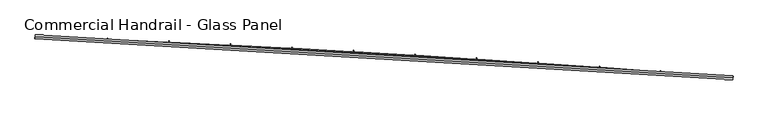
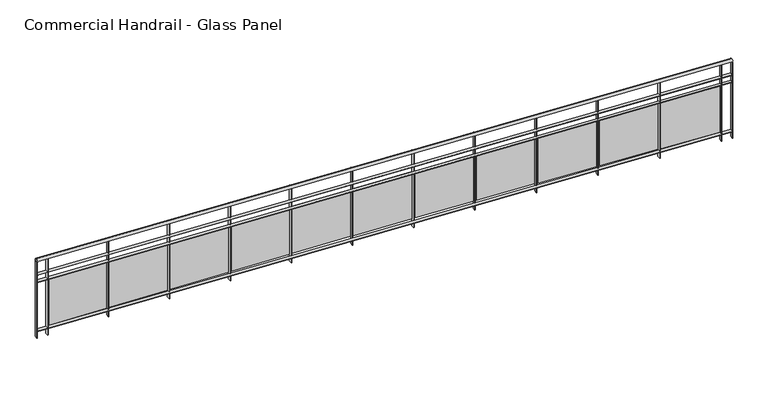
"""IFC4 building model written with IfcOpenShell, lengths in millimetres: railing geometry, Commercial Handrail - Glass Panel."""

from ifc_helpers import new_model, si_unit, point, frame, origin, place, context, project, spatial, polyline, circle_curve, ellipse_curve, trimmed, outline, extrude, source, transform, mapped, element, save
from ifc_brep_helpers import plane_surface, cylinder_surface, revolved_surface, advanced_brep


def commercial_handrail_glass_panel_47a5f68d(model_context):
    return source(origin(), model_context, "Body", "SolidModel", [
        advanced_brep(
        [(118318.4035087, -32849.2717188, 12882.5), (127382.7214131, -33380.8122629, 12882.5), (127382.7214131, -33380.8122629, 12917.5), (118318.4035087, -32849.2717188, 12917.5)],
        [
            (0, 1, circle_curve(frame((108840.1585672, -272033.3263712, 12882.5), z_axis=(0.0, 0.0, -1.0), x_axis=(0.07746344550314502, 0.9969951928724538, 0.0)), 239371.7801395)),
            (1, 2, ellipse_curve(frame((127382.7214131, -33380.8122629, 12900.0), z_axis=(-0.9969951928724544, 0.07746344550313862, 0.0), x_axis=(0.0774634455031386, 0.9969951928724542, 0.0)), 25.0, 17.5)),
            (2, 3, circle_curve(frame((108840.1585672, -272033.3263712, 12917.5), z_axis=(0.0, 0.0, 1.0), x_axis=(0.07746344550314502, 0.9969951928724538, 0.0)), 239371.7801395)),
            (3, 0, ellipse_curve(frame((118318.4035087, -32849.2717188, 12900.0), z_axis=(0.9992157576513465, -0.03959633393694334, 0.0), x_axis=(0.03959633393694333, 0.9992157576513463, 0.0)), 25.0, 17.5)),
            (2, 1, ellipse_curve(frame((127382.7214131, -33380.8122629, 12900.0), z_axis=(-0.9969951928724544, 0.07746344550313862, 0.0), x_axis=(0.0774634455031386, 0.9969951928724542, 0.0)), 25.0, 17.5)),
            (0, 3, ellipse_curve(frame((118318.4035087, -32849.2717188, 12900.0), z_axis=(0.9992157576513465, -0.03959633393694334, 0.0), x_axis=(0.03959633393694333, 0.9992157576513463, 0.0)), 25.0, 17.5)),
        ],
        [
            revolved_surface(trimmed(ellipse_curve(frame((127382.7214131, -33380.8122629, 12900.0), z_axis=(0.9969951928724538, -0.07746344550314502, 0.0), x_axis=(0.0, 0.0, -1.0)), 17.5, 25.0), [point((127382.7214131, -33380.8122629, 12917.5))], [point((127382.7214131, -33380.8122629, 12882.5))], True, "CARTESIAN"), (108840.1585672, -272033.3263712, 12900.0), (0.0, 0.0, 1.0)),
            revolved_surface(trimmed(ellipse_curve(frame((127382.7214131, -33380.8122629, 12900.0), z_axis=(0.9969951928724538, -0.07746344550314502, 0.0), x_axis=(0.0, 0.0, -1.0)), 17.5, 25.0), [point((127382.7214131, -33380.8122629, 12882.5))], [point((127382.7214131, -33380.8122629, 12917.5))], True, "CARTESIAN"), (108840.1585672, -272033.3263712, 12900.0), (0.0, 0.0, 1.0)),
            plane_surface(frame((127382.7214131, -33380.8122629, 12900.0), z_axis=(0.9969951928724538, -0.07746344550314502, 0.0), x_axis=(0.07746344550314502, 0.9969951928724538, 0.0))),
            plane_surface(frame((118318.4035087, -32849.2717188, 12900.0), z_axis=(-0.9992157576513464, 0.03959633393694337, 0.0), x_axis=(0.03959633393694337, 0.9992157576513464, 0.0))),
        ],
        [
            (0, [[1, 2, 3, 4]]),
            (1, [[-3, 5, -1, 6]]),
            (2, [[-2, -5]]),
            (3, [[-6, -4]]),
        ],
    ),
        advanced_brep(
        [(118317.5125912, -32871.7540734, 12700.0), (127380.9784855, -33403.2446547, 12700.0), (127384.4643406, -33358.379871, 12700.0), (118319.2944262, -32826.7893643, 12700.0), (118317.5125912, -32871.7540734, 12694.0), (127380.9784855, -33403.2446547, 12694.0), (118319.2944262, -32826.7893643, 12694.0), (127384.4643406, -33358.379871, 12694.0)],
        [
            (0, 1, circle_curve(frame((108840.1585672, -272033.3263712, 12700.0), z_axis=(0.0, 0.0, -1.0), x_axis=(0.07746344550314502, 0.9969951928724538, 0.0)), 239349.2801395)),
            (1, 2),
            (2, 3, circle_curve(frame((108840.1585672, -272033.3263712, 12700.0), z_axis=(0.0, 0.0, 1.0), x_axis=(0.07746344550314502, 0.9969951928724538, 0.0)), 239394.2801395)),
            (3, 0),
            (4, 5, circle_curve(frame((108840.1585672, -272033.3263712, 12694.0), z_axis=(0.0, 0.0, -1.0), x_axis=(0.07746344550314502, 0.9969951928724538, 0.0)), 239349.2801395)),
            (5, 1),
            (0, 4),
            (6, 7, circle_curve(frame((108840.1585672, -272033.3263712, 12694.0), z_axis=(0.0, 0.0, -1.0), x_axis=(0.07746344550314502, 0.9969951928724538, 0.0)), 239394.2801395)),
            (7, 5),
            (4, 6),
            (2, 7),
            (6, 3),
        ],
        [
            plane_surface(frame((108840.1585672, -272033.3263712, 12700.0), z_axis=(0.0, 0.0, 1.0), x_axis=(0.07746344550314502, 0.9969951928724538, 0.0))),
            revolved_surface(polyline([(127380.97848550315, -33403.24465463619, 12700.0), (127380.97848550315, -33403.24465463619, 12694.0)]), (108840.1585672, -272033.3263712, 12700.0), (0.0, 0.0, 1.0)),
            plane_surface(frame((108840.1585672, -272033.3263712, 12694.0), z_axis=(0.0, 0.0, -1.0), x_axis=(0.07746344550314502, 0.9969951928724538, 0.0))),
            cylinder_surface(frame((108840.1585672, -272033.3263712, 12700.0), z_axis=(0.0, 0.0, 1.0), x_axis=(0.07746344550314502, 0.9969951928724538, 0.0)), 239394.2801395),
            plane_surface(frame((127382.7214131, -33380.8122629, 12700.0), z_axis=(0.9969951928724538, -0.07746344550314502, 0.0), x_axis=(0.07746344550314502, 0.9969951928724538, 0.0))),
            plane_surface(frame((118318.4035087, -32849.2717188, 12700.0), z_axis=(-0.9992157576513464, 0.03959633393694337, 0.0), x_axis=(0.03959633393694337, 0.9992157576513464, 0.0))),
        ],
        [
            (0, [[1, 2, 3, 4]]),
            (1, [[5, 6, -1, 7]]),
            (2, [[8, 9, -5, 10]]),
            (3, [[-3, 11, -8, 12]]),
            (4, [[-2, -6, -9, -11]]),
            (5, [[-12, -10, -7, -4]]),
        ],
    ),
        advanced_brep(
        [(118317.5125912, -32871.7540734, 12600.0), (127380.9784855, -33403.2446547, 12600.0), (127384.4643406, -33358.379871, 12600.0), (118319.2944262, -32826.7893643, 12600.0), (118317.5125912, -32871.7540734, 12594.0), (127380.9784855, -33403.2446547, 12594.0), (118319.2944262, -32826.7893643, 12594.0), (127384.4643406, -33358.379871, 12594.0)],
        [
            (0, 1, circle_curve(frame((108840.1585672, -272033.3263712, 12600.0), z_axis=(0.0, 0.0, -1.0), x_axis=(0.07746344550314502, 0.9969951928724538, 0.0)), 239349.2801395)),
            (1, 2),
            (2, 3, circle_curve(frame((108840.1585672, -272033.3263712, 12600.0), z_axis=(0.0, 0.0, 1.0), x_axis=(0.07746344550314502, 0.9969951928724538, 0.0)), 239394.2801395)),
            (3, 0),
            (4, 5, circle_curve(frame((108840.1585672, -272033.3263712, 12594.0), z_axis=(0.0, 0.0, -1.0), x_axis=(0.07746344550314502, 0.9969951928724538, 0.0)), 239349.2801395)),
            (5, 1),
            (0, 4),
            (6, 7, circle_curve(frame((108840.1585672, -272033.3263712, 12594.0), z_axis=(0.0, 0.0, -1.0), x_axis=(0.07746344550314502, 0.9969951928724538, 0.0)), 239394.2801395)),
            (7, 5),
            (4, 6),
            (2, 7),
            (6, 3),
        ],
        [
            plane_surface(frame((108840.1585672, -272033.3263712, 12600.0), z_axis=(0.0, 0.0, 1.0), x_axis=(0.07746344550314502, 0.9969951928724538, 0.0))),
            revolved_surface(polyline([(127380.97848550315, -33403.24465463619, 12600.0), (127380.97848550315, -33403.24465463619, 12594.0)]), (108840.1585672, -272033.3263712, 12600.0), (0.0, 0.0, 1.0)),
            plane_surface(frame((108840.1585672, -272033.3263712, 12594.0), z_axis=(0.0, 0.0, -1.0), x_axis=(0.07746344550314502, 0.9969951928724538, 0.0))),
            cylinder_surface(frame((108840.1585672, -272033.3263712, 12600.0), z_axis=(0.0, 0.0, 1.0), x_axis=(0.07746344550314502, 0.9969951928724538, 0.0)), 239394.2801395),
            plane_surface(frame((127382.7214131, -33380.8122629, 12600.0), z_axis=(0.9969951928724538, -0.07746344550314502, 0.0), x_axis=(0.07746344550314502, 0.9969951928724538, 0.0))),
            plane_surface(frame((118318.4035087, -32849.2717188, 12600.0), z_axis=(-0.9992157576513464, 0.03959633393694337, 0.0), x_axis=(0.03959633393694337, 0.9992157576513464, 0.0))),
        ],
        [
            (0, [[1, 2, 3, 4]]),
            (1, [[5, 6, -1, 7]]),
            (2, [[8, 9, -5, 10]]),
            (3, [[-3, 11, -8, 12]]),
            (4, [[-2, -6, -9, -11]]),
            (5, [[-12, -10, -7, -4]]),
        ],
    ),
        advanced_brep(
        [(118317.5125912, -32871.7540734, 11900.0), (127380.9784855, -33403.2446547, 11900.0), (127384.4643406, -33358.379871, 11900.0), (118319.2944262, -32826.7893643, 11900.0), (118317.5125912, -32871.7540734, 11894.0), (127380.9784855, -33403.2446547, 11894.0), (118319.2944262, -32826.7893643, 11894.0), (127384.4643406, -33358.379871, 11894.0)],
        [
            (0, 1, circle_curve(frame((108840.1585672, -272033.3263712, 11900.0), z_axis=(0.0, 0.0, -1.0), x_axis=(0.07746344550314502, 0.9969951928724538, 0.0)), 239349.2801395)),
            (1, 2),
            (2, 3, circle_curve(frame((108840.1585672, -272033.3263712, 11900.0), z_axis=(0.0, 0.0, 1.0), x_axis=(0.07746344550314502, 0.9969951928724538, 0.0)), 239394.2801395)),
            (3, 0),
            (4, 5, circle_curve(frame((108840.1585672, -272033.3263712, 11894.0), z_axis=(0.0, 0.0, -1.0), x_axis=(0.07746344550314502, 0.9969951928724538, 0.0)), 239349.2801395)),
            (5, 1),
            (0, 4),
            (6, 7, circle_curve(frame((108840.1585672, -272033.3263712, 11894.0), z_axis=(0.0, 0.0, -1.0), x_axis=(0.07746344550314502, 0.9969951928724538, 0.0)), 239394.2801395)),
            (7, 5),
            (4, 6),
            (2, 7),
            (6, 3),
        ],
        [
            plane_surface(frame((108840.1585672, -272033.3263712, 11900.0), z_axis=(0.0, 0.0, 1.0), x_axis=(0.07746344550314502, 0.9969951928724538, 0.0))),
            revolved_surface(polyline([(127380.97848550315, -33403.24465463619, 11900.0), (127380.97848550315, -33403.24465463619, 11894.0)]), (108840.1585672, -272033.3263712, 11900.0), (0.0, 0.0, 1.0)),
            plane_surface(frame((108840.1585672, -272033.3263712, 11894.0), z_axis=(0.0, 0.0, -1.0), x_axis=(0.07746344550314502, 0.9969951928724538, 0.0))),
            cylinder_surface(frame((108840.1585672, -272033.3263712, 11900.0), z_axis=(0.0, 0.0, 1.0), x_axis=(0.07746344550314502, 0.9969951928724538, 0.0)), 239394.2801395),
            plane_surface(frame((127382.7214131, -33380.8122629, 11900.0), z_axis=(0.9969951928724538, -0.07746344550314502, 0.0), x_axis=(0.07746344550314502, 0.9969951928724538, 0.0))),
            plane_surface(frame((118318.4035087, -32849.2717188, 11900.0), z_axis=(-0.9992157576513464, 0.03959633393694337, 0.0), x_axis=(0.03959633393694337, 0.9992157576513464, 0.0))),
        ],
        [
            (0, [[1, 2, 3, 4]]),
            (1, [[5, 6, -1, 7]]),
            (2, [[8, 9, -5, 10]]),
            (3, [[-3, 11, -8, 12]]),
            (4, [[-2, -6, -9, -11]]),
            (5, [[-12, -10, -7, -4]]),
        ],
    ),
        extrude(outline(polyline([(118462.4105775, -32832.5035492), (118460.6024038, -32877.4672068), (118454.6072494, -32877.226117), (118456.4154232, -32832.2624594), (118462.4105775, -32832.5035492)])), frame((0.0, 0.0, 11800.0), z_axis=(0.0, 0.0, 1.0), x_axis=(1.0, 0.0, 0.0)), (0.0, 0.0, 1.0), 1082.1192282),
        extrude(outline(polyline([(119237.5882112, -32893.169646), (118478.2540839, -32861.3626786), (118478.7562992, -32849.3731924), (119238.0904265, -32881.1801598), (119237.5882112, -32893.169646)])), frame((0.0, 0.0, 11920.0), z_axis=(0.0, 0.0, 1.0), x_axis=(1.0, 0.0, 0.0)), (0.0, 0.0, 1.0), 660.0),
        extrude(outline(polyline([(119261.7839982, -32865.9977164), (119259.8255626, -32910.9550799), (119253.8312475, -32910.6939552), (119255.789683, -32865.7365917), (119261.7839982, -32865.9977164)])), frame((0.0, 0.0, 11800.0), z_axis=(0.0, 0.0, 1.0), x_axis=(1.0, 0.0, 0.0)), (0.0, 0.0, 1.0), 1082.1192282),
        extrude(outline(polyline([(120036.754552, -32929.2541764), (119277.5309667, -32894.9096349), (119278.0732489, -32882.9218941), (120037.2968342, -32917.2664356), (120036.754552, -32929.2541764)])), frame((0.0, 0.0, 11920.0), z_axis=(0.0, 0.0, 1.0), x_axis=(1.0, 0.0, 0.0)), (0.0, 0.0, 1.0), 660.0),
        extrude(outline(polyline([(120061.0410145, -32902.1632628), (120058.932339, -32947.1138299), (120052.93893, -32946.8326732), (120055.0476055, -32901.8821061), (120061.0410145, -32902.1632628)])), frame((0.0, 0.0, 11800.0), z_axis=(0.0, 0.0, 1.0), x_axis=(1.0, 0.0, 0.0)), (0.0, 0.0, 1.0), 1082.1192282),
        extrude(outline(polyline([(120835.7958324, -32968.0093795), (120076.6912693, -32931.1276473), (120077.2736124, -32919.1417858), (120836.3781756, -32956.0235179), (120835.7958324, -32968.0093795)])), frame((0.0, 0.0, 11920.0), z_axis=(0.0, 0.0, 1.0), x_axis=(1.0, 0.0, 0.0)), (0.0, 0.0, 1.0), 660.0),
        extrude(outline(polyline([(120860.1726992, -32940.9997843), (120857.9138072, -32985.943053), (120851.9213714, -32985.6418675), (120854.1802633, -32940.6985987), (120860.1726992, -32940.9997843)])), frame((0.0, 0.0, 11800.0), z_axis=(0.0, 0.0, 1.0), x_axis=(1.0, 0.0, 0.0)), (0.0, 0.0, 1.0), 1082.1192282),
        extrude(outline(polyline([(121634.7031276, -33009.4348222), (120875.7260654, -32970.0163114), (120876.3484629, -32958.032463), (121635.3255252, -32997.4509738), (121634.7031276, -33009.4348222)])), frame((0.0, 0.0, 11920.0), z_axis=(0.0, 0.0, 1.0), x_axis=(1.0, 0.0, 0.0)), (0.0, 0.0, 1.0), 660.0),
        extrude(outline(polyline([(121659.1701263, -32982.5068471), (121656.7610432, -33027.4423155), (121650.7696474, -33027.1211044), (121653.1787305, -32982.1856361), (121659.1701263, -32982.5068471)])), frame((0.0, 0.0, 11800.0), z_axis=(0.0, 0.0, 1.0), x_axis=(1.0, 0.0, 0.0)), (0.0, 0.0, 1.0), 1082.1192282),
        extrude(outline(polyline([(122433.4675142, -33053.5300418), (121674.6264303, -33011.5751927), (121675.2888752, -32999.5934914), (122434.1299592, -33041.5483405), (122433.4675142, -33053.5300418)])), frame((0.0, 0.0, 11920.0), z_axis=(0.0, 0.0, 1.0), x_axis=(1.0, 0.0, 0.0)), (0.0, 0.0, 1.0), 660.0),
        extrude(outline(polyline([(122458.0243716, -33026.6839877), (122455.4651242, -33071.6111538), (122449.4748354, -33071.2699209), (122452.0340827, -33026.3427548), (122458.0243716, -33026.6839877)])), frame((0.0, 0.0, 11800.0), z_axis=(0.0, 0.0, 1.0), x_axis=(1.0, 0.0, 0.0)), (0.0, 0.0, 1.0), 1082.1192282),
        extrude(outline(polyline([(123232.0800703, -33100.2945459), (122473.3834406, -33055.8038271), (122474.0859256, -33043.8244066), (123232.7825553, -33088.3151255), (123232.0800703, -33100.2945459)])), frame((0.0, 0.0, 11920.0), z_axis=(0.0, 0.0, 1.0), x_axis=(1.0, 0.0, 0.0)), (0.0, 0.0, 1.0), 660.0),
        extrude(outline(polyline([(123256.726512, -33073.5307127), (123254.017129, -33118.4490746), (123248.0280141, -33118.0878236), (123250.7373971, -33073.1694616), (123256.726512, -33073.5307127)])), frame((0.0, 0.0, 11800.0), z_axis=(0.0, 0.0, 1.0), x_axis=(1.0, 0.0, 0.0)), (0.0, 0.0, 1.0), 1082.1192282),
        extrude(outline(polyline([(124030.5318758, -33149.7278122), (123271.9881746, -33102.7017206), (123272.7306918, -33090.7247148), (124031.2743931, -33137.7508064), (124030.5318758, -33149.7278122)])), frame((0.0, 0.0, 11920.0), z_axis=(0.0, 0.0, 1.0), x_axis=(1.0, 0.0, 0.0)), (0.0, 0.0, 1.0), 660.0),
        extrude(outline(polyline([(124055.2676267, -33123.0464986), (124052.4081383, -33167.9555548), (124046.4202641, -33167.5742897), (124049.2797526, -33122.6652335), (124055.2676267, -33123.0464986)])), frame((0.0, 0.0, 11800.0), z_axis=(0.0, 0.0, 1.0), x_axis=(1.0, 0.0, 0.0)), (0.0, 0.0, 1.0), 1082.1192282),
        extrude(outline(polyline([(124828.8140126, -33201.8292884), (124070.4317123, -33152.2683493), (124071.2142535, -33140.2938919), (124829.5965537, -33189.854831), (124828.8140126, -33201.8292884)])), frame((0.0, 0.0, 11920.0), z_axis=(0.0, 0.0, 1.0), x_axis=(1.0, 0.0, 0.0)), (0.0, 0.0, 1.0), 660.0),
        extrude(outline(polyline([(124853.6387962, -33175.2307926), (124850.6292343, -33220.1300413), (124844.6426678, -33219.7287664), (124847.6522297, -33174.8295177), (124853.6387962, -33175.2307926)])), frame((0.0, 0.0, 11800.0), z_axis=(0.0, 0.0, 1.0), x_axis=(1.0, 0.0, 0.0)), (0.0, 0.0, 1.0), 1082.1192282),
        extrude(outline(polyline([(125626.917564, -33256.5983926), (124868.7051355, -33204.5031595), (124869.5276919, -33192.5313844), (125627.7401203, -33244.6266175), (125626.917564, -33256.5983926)])), frame((0.0, 0.0, 11920.0), z_axis=(0.0, 0.0, 1.0), x_axis=(1.0, 0.0, 0.0)), (0.0, 0.0, 1.0), 660.0),
        extrude(outline(polyline([(125651.8311032, -33230.0830117), (125648.6715014, -33274.9719515), (125642.6863095, -33274.5506713), (125645.8459113, -33229.6617315), (125651.8311032, -33230.0830117)])), frame((0.0, 0.0, 11800.0), z_axis=(0.0, 0.0, 1.0), x_axis=(1.0, 0.0, 0.0)), (0.0, 0.0, 1.0), 1082.1192282),
        extrude(outline(polyline([(126424.8336158, -33314.0345132), (125666.7995279, -33259.405568), (125667.6620902, -33247.4366087), (126425.6961781, -33302.0655539), (126424.8336158, -33314.0345132)])), frame((0.0, 0.0, 11920.0), z_axis=(0.0, 0.0, 1.0), x_axis=(1.0, 0.0, 0.0)), (0.0, 0.0, 1.0), 660.0),
        extrude(outline(polyline([(126449.8356323, -33287.6025432), (126446.5260259, -33332.4806727), (126440.5422753, -33332.0393919), (126443.8518817, -33287.1612624), (126449.8356323, -33287.6025432)])), frame((0.0, 0.0, 11800.0), z_axis=(0.0, 0.0, 1.0), x_axis=(1.0, 0.0, 0.0)), (0.0, 0.0, 1.0), 1082.1192282),
        extrude(outline(polyline([(127222.5532556, -33374.1370085), (126464.7059752, -33316.9749614), (126465.6085338, -33305.0089517), (127223.4558142, -33362.1709988), (127222.5532556, -33374.1370085)])), frame((0.0, 0.0, 11920.0), z_axis=(0.0, 0.0, 1.0), x_axis=(1.0, 0.0, 0.0)), (0.0, 0.0, 1.0), 660.0),
        extrude(outline(polyline([(127247.64347, -33347.7887447), (127244.1838961, -33392.6555626), (127238.2016537, -33392.1942861), (127241.6612277, -33347.3274682), (127247.64347, -33347.7887447)])), frame((0.0, 0.0, 11800.0), z_axis=(0.0, 0.0, 1.0), x_axis=(1.0, 0.0, 0.0)), (0.0, 0.0, 1.0), 1082.1192282),
        extrude(outline(polyline([(118322.2920735, -32826.9081533), (118320.5102385, -32871.8728624), (118314.5149439, -32871.6352844), (118316.296779, -32826.6705753), (118322.2920735, -32826.9081533)])), frame((0.0, 0.0, 11800.0), z_axis=(0.0, 0.0, 1.0), x_axis=(1.0, 0.0, 0.0)), (0.0, 0.0, 1.0), 1082.1192282),
        extrude(outline(polyline([(127387.4553262, -33358.6122614), (127383.9694711, -33403.477045), (127377.9875, -33403.0122644), (127381.473355, -33358.1474807), (127387.4553262, -33358.6122614)])), frame((0.0, 0.0, 11800.0), z_axis=(0.0, 0.0, 1.0), x_axis=(1.0, 0.0, 0.0)), (0.0, 0.0, 1.0), 1082.1192282),
    ])


if __name__ == "__main__":
    model = new_model("IFC4")
    model_context = context("Model", 3, world=origin())
    ifc_project = project(units=[si_unit("LENGTHUNIT", "METRE", prefix="MILLI")], contexts=[model_context])
    site = spatial("IfcSite", under=ifc_project)
    building = spatial("IfcBuilding", under=site)
    placement = place(None, origin())
    commercial_handrail_glass_panel_shape = commercial_handrail_glass_panel_47a5f68d(model_context)
    element("IfcRailing", 1, ObjectType="Commercial Handrail - Glass Panel", at=placement, inside=building, context=model_context, shape_type="MappedRepresentation", body=[
        mapped(commercial_handrail_glass_panel_shape, transform((0.0, 0.0, 0.0), x_axis=(1.0, 0.0, 0.0), y_axis=(0.0, 1.0, 0.0), z_axis=(0.0, 0.0, 1.0))),
    ])
    save(model, "model.ifc")
